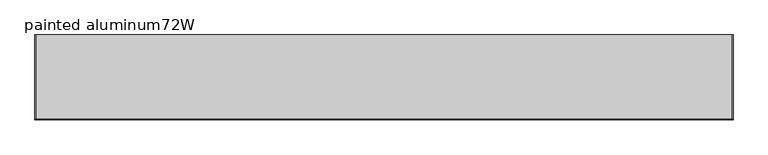
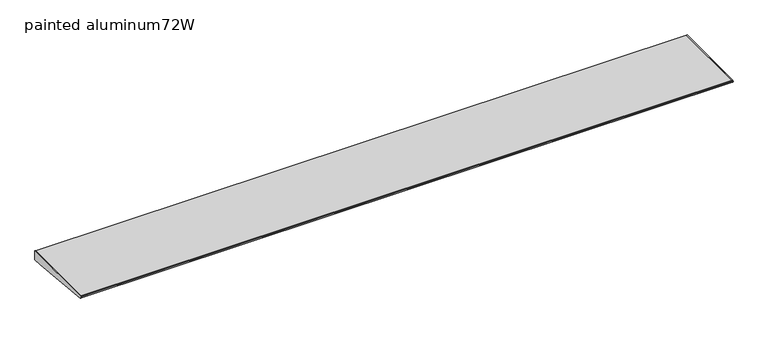
"""IFC4 building model written with IfcOpenShell, lengths in millimetres: furniture geometry, painted aluminum72W."""

import ifcopenshell
import ifcopenshell.guid

model = None  # the IFC model being written
_history = None  # IfcOwnerHistory: only IFC2X3 demands one
_inside = {}  # id of a spatial element -> (the spatial element, [elements in it])
_under = {}  # id of a project, library or spatial element -> (it, [spatial elements below it])
_declared = {}  # id of a project -> (the project, [libraries it declares])
_typed = {}  # id of a type object -> (the type object, [elements of that type])
_made_of = {}  # id of a material, layer set ... -> (it, [elements and type objects made of it])


def new_model(schema):
    """Start an empty IFC model of exactly this schema.

    Asked for "IFC4X3", IfcOpenShell would pick the latest addendum, in which some entities
    have other attributes; the version numbers below select the first issue.
    IFC2X3 requires an IfcOwnerHistory on every rooted entity: one is made here for all.
    """
    global model, _history
    if schema == "IFC4X3":
        model = ifcopenshell.file(schema_version=(4, 3, 0, 0))
    else:
        model = ifcopenshell.file(schema=schema)
    _inside.clear()
    _under.clear()
    _declared.clear()
    _typed.clear()
    _made_of.clear()
    _history = None
    if model.schema == "IFC2X3":
        org = make("IfcOrganization", Name="unknown")
        user = make(
            "IfcPersonAndOrganization",
            ThePerson=make("IfcPerson", FamilyName="unknown"),
            TheOrganization=org,
        )
        app = make(
            "IfcApplication",
            ApplicationDeveloper=org,
            Version="unknown",
            ApplicationFullName="unknown",
            ApplicationIdentifier="unknown",
        )
        _history = make(
            "IfcOwnerHistory",
            OwningUser=user,
            OwningApplication=app,
            ChangeAction="ADDED",
            CreationDate=0,
        )
    return model


def make(cls, **values):
    """One entity of the class cls with the attributes given. An attribute that is None is left unset."""
    return model.create_entity(
        cls, **{name: value for name, value in values.items() if value is not None}
    )


def rooted(cls, **values):
    """An entity with a GlobalId (a new one), such as an element, a storey or a relation."""
    return make(cls, GlobalId=ifcopenshell.guid.new(), OwnerHistory=_history, **values)


def si_unit(unit_type, name, prefix=None):
    """IfcSIUnit, for example si_unit("LENGTHUNIT", "METRE", prefix="MILLI")."""
    return make("IfcSIUnit", UnitType=unit_type, Prefix=prefix, Name=name)


def assignment(units):
    """IfcUnitAssignment: the units of a project."""
    return None if units is None else make("IfcUnitAssignment", Units=units)


def point(xyz):
    """IfcCartesianPoint."""
    return None if xyz is None else make("IfcCartesianPoint", Coordinates=xyz)


def direction(xyz):
    """IfcDirection."""
    return None if xyz is None else make("IfcDirection", DirectionRatios=xyz)


def frame(location, z_axis=None, x_axis=None):
    """IfcAxis2Placement3D, a coordinate frame: its origin and axes. An axis left out is left unset."""
    return make(
        "IfcAxis2Placement3D",
        Location=point(location),
        Axis=direction(z_axis),
        RefDirection=direction(x_axis),
    )


def origin():
    """The frame at (0, 0, 0) with its axes left unset."""
    return frame((0.0, 0.0, 0.0))


def place(relative_to, where):
    """IfcLocalPlacement: puts the frame where relative to a parent placement (None: the world)."""
    return make(
        "IfcLocalPlacement", PlacementRelTo=relative_to, RelativePlacement=where
    )


def context(
    kind, dimensions, precision=None, world=None, true_north=None, identifier=None
):
    """IfcGeometricRepresentationContext, for example the 3D "Model" context."""
    return make(
        "IfcGeometricRepresentationContext",
        ContextIdentifier=identifier,
        ContextType=kind,
        CoordinateSpaceDimension=dimensions,
        Precision=precision,
        WorldCoordinateSystem=world,
        TrueNorth=true_north,
    )


def project(units=None, contexts=None):
    """IfcProject with its units and contexts."""
    return rooted(
        "IfcProject",
        Name="project",
        RepresentationContexts=contexts,
        UnitsInContext=assignment(units),
    )


def spatial(cls, under=None, at=None, **own):
    """A site, building, storey or space (cls), placed at a placement, below another one or the project."""
    s = rooted(cls, ObjectPlacement=at, **own)
    if under is not None:
        _under.setdefault(under.id(), (under, []))[1].append(s)
    return s


def polyline(points):
    """IfcPolyline through the points."""
    return make("IfcPolyline", Points=[point(p) for p in points])


def outline(outer, holes=None, kind="AREA"):
    """IfcArbitraryClosedProfileDef: a profile drawn as a closed curve; with holes, ...WithVoids."""
    if holes is None:
        return make("IfcArbitraryClosedProfileDef", ProfileType=kind, OuterCurve=outer)
    return make(
        "IfcArbitraryProfileDefWithVoids",
        ProfileType=kind,
        OuterCurve=outer,
        InnerCurves=holes,
    )


def extrude(swept, where, along, depth):
    """IfcExtrudedAreaSolid: the profile swept, set in the frame where, extruded along a direction by depth."""
    return make(
        "IfcExtrudedAreaSolid",
        SweptArea=swept,
        Position=where,
        ExtrudedDirection=direction(along),
        Depth=depth,
    )


def shape(context_of_items, identifier, shape_type, items):
    """IfcShapeRepresentation: the items that make up one representation, for example the "Body"."""
    return make(
        "IfcShapeRepresentation",
        ContextOfItems=context_of_items,
        RepresentationIdentifier=identifier,
        RepresentationType=shape_type,
        Items=items,
    )


def source(mapping_origin, context_of_items, identifier, shape_type, items):
    """IfcRepresentationMap: a shape defined once, which mapped items show again and again."""
    return make(
        "IfcRepresentationMap",
        MappingOrigin=mapping_origin,
        MappedRepresentation=shape(context_of_items, identifier, shape_type, items),
    )


def transform(
    local_origin,
    x_axis=None,
    y_axis=None,
    z_axis=None,
    scale=None,
    scale2=None,
    scale3=None,
    uniform=True,
):
    """IfcCartesianTransformationOperator3D, or its non-uniform kind. x_axis, y_axis, z_axis: its Axis1, 2, 3."""
    if uniform:
        return make(
            "IfcCartesianTransformationOperator3D",
            Axis1=direction(x_axis),
            Axis2=direction(y_axis),
            LocalOrigin=point(local_origin),
            Scale=scale,
            Axis3=direction(z_axis),
        )
    return make(
        "IfcCartesianTransformationOperator3DnonUniform",
        Axis1=direction(x_axis),
        Axis2=direction(y_axis),
        LocalOrigin=point(local_origin),
        Scale=scale,
        Axis3=direction(z_axis),
        Scale2=scale2,
        Scale3=scale3,
    )


def mapped(mapping_source, mapping_target):
    """IfcMappedItem: shows the shape of a source again, moved by a transform."""
    return make(
        "IfcMappedItem", MappingSource=mapping_source, MappingTarget=mapping_target
    )


def made_of(thing, what):
    """Note that an element or type object is made of a material, layer set ...; save() writes the relation."""
    if what is not None:
        _made_of.setdefault(what.id(), (what, []))[1].append(thing)
    return thing


def element(
    cls,
    number,
    at=None,
    inside=None,
    cuts=None,
    type_object=None,
    material=None,
    context=None,
    identifier="Body",
    shape_type=None,
    held_by="IfcProductDefinitionShape",
    body=None,
    shapes=None,
    **own,
):
    """One element of the class cls, such as IfcWall. Its Tag is "e" and its number.

    at: its placement. inside: the storey or other place that contains it. cuts: it is an
    opening in that element (IfcRelVoidsElement). A single representation is given by context,
    identifier, shape_type and body (its items); several are given by shapes. held_by: the class
    of the entity that holds the representations. save() writes the other relations.
    """
    e = rooted(cls, Tag="e%d" % number, ObjectPlacement=at, **own)
    if body is not None:
        shapes = [shape(context, identifier, shape_type, body)]
    if shapes is not None:
        e.Representation = make(held_by, Representations=shapes)
    if inside is not None:
        _inside.setdefault(inside.id(), (inside, []))[1].append(e)
    if cuts is not None:
        rooted(
            "IfcRelVoidsElement", RelatingBuildingElement=cuts, RelatedOpeningElement=e
        )
    if type_object is not None:
        _typed.setdefault(type_object.id(), (type_object, []))[1].append(e)
    return made_of(e, material)


def aggregate(whole, parts):
    """IfcRelAggregates: a whole, such as a stair, and the parts it consists of."""
    return rooted("IfcRelAggregates", RelatingObject=whole, RelatedObjects=parts)


def save(model, path):
    """Write the relations noted so far, then the file.

    IfcRelAggregates (storeys below a building ...), IfcRelContainedInSpatialStructure (elements
    in a storey), IfcRelDefinesByType, IfcRelAssociatesMaterial and IfcRelDeclares: one each for
    every whole, place, type object, material and project.
    """
    for whole, parts in _under.values():
        aggregate(whole, parts)
    for where, things in _inside.values():
        rooted(
            "IfcRelContainedInSpatialStructure",
            RelatedElements=things,
            RelatingStructure=where,
        )
    for kind, things in _typed.values():
        rooted("IfcRelDefinesByType", RelatedObjects=things, RelatingType=kind)
    for what, things in _made_of.values():
        rooted("IfcRelAssociatesMaterial", RelatedObjects=things, RelatingMaterial=what)
    for by, libraries in _declared.values():
        rooted("IfcRelDeclares", RelatingContext=by, RelatedDefinitions=libraries)
    model.write(path)


def painted_aluminum72w_6d5a6ece(model_context):
    return source(origin(), model_context, "Body", "SweptSolid", [
        extrude(outline(polyline([(-222.022331, 1445.7236755), (-220.8911683, 1447.1880929), (-218.9431893, 1447.8), (0.0, 1447.8), (0.0, 1422.4), (-25.3684852, 1422.4), (-219.3540346, 1441.4652236), (-221.1050905, 1442.210368), (-222.1155121, 1443.8229581), (-222.022331, 1445.7236755)])), frame((1824.2279999, 0.0, 0.0), z_axis=(1.0, 0.0, 0.0), x_axis=(0.0, 1.0, 0.0)), (0.0, 0.0, 1.0), 2.032),
        extrude(outline(polyline([(-222.022331, 1445.7236755), (-220.8911683, 1447.1880929), (-218.9431893, 1447.8), (0.0, 1447.8), (0.0, 1422.4), (-25.3684852, 1422.4), (-219.3540346, 1441.4652236), (-221.1050905, 1442.210368), (-222.1155121, 1443.8229581), (-222.022331, 1445.7236755)])), frame((2.5400001, 0.0, 0.0), z_axis=(1.0, 0.0, 0.0), x_axis=(0.0, 1.0, 0.0)), (0.0, 0.0, 1.0), 2.032),
        extrude(outline(polyline([(0.0, 1447.8), (0.0, 1422.4), (-25.3684852, 1422.4), (-219.3540346, 1441.4652236), (-221.1050905, 1442.210368), (-222.1155121, 1443.8229581), (-222.022331, 1445.7236755), (-220.8911683, 1447.1880929), (-218.9431893, 1447.8), (0.0, 1447.8)])), frame((4.5720001, 0.0, 0.0), z_axis=(1.0, 0.0, 0.0), x_axis=(0.0, 1.0, 0.0)), (0.0, 0.0, 1.0), 1819.6559997),
    ])


if __name__ == "__main__":
    model = new_model("IFC4")
    model_context = context("Model", 3, world=origin())
    ifc_project = project(units=[si_unit("LENGTHUNIT", "METRE", prefix="MILLI")], contexts=[model_context])
    site = spatial("IfcSite", under=ifc_project)
    building = spatial("IfcBuilding", under=site)
    placement = place(None, origin())
    painted_aluminum72w_shape = painted_aluminum72w_6d5a6ece(model_context)
    element("IfcFurniture", 1, ObjectType="painted aluminum72W", at=placement, inside=building, context=model_context, shape_type="MappedRepresentation", body=[
        mapped(painted_aluminum72w_shape, transform((0.0, 0.0, 0.0), x_axis=(1.0, 0.0, 0.0), y_axis=(0.0, 1.0, 0.0), z_axis=(0.0, 0.0, 1.0))),
    ])
    save(model, "model.ifc")
